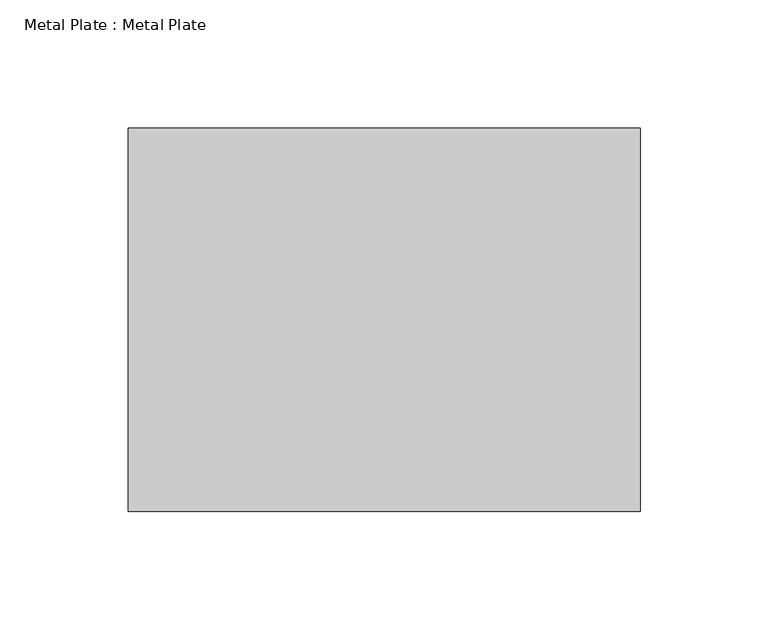
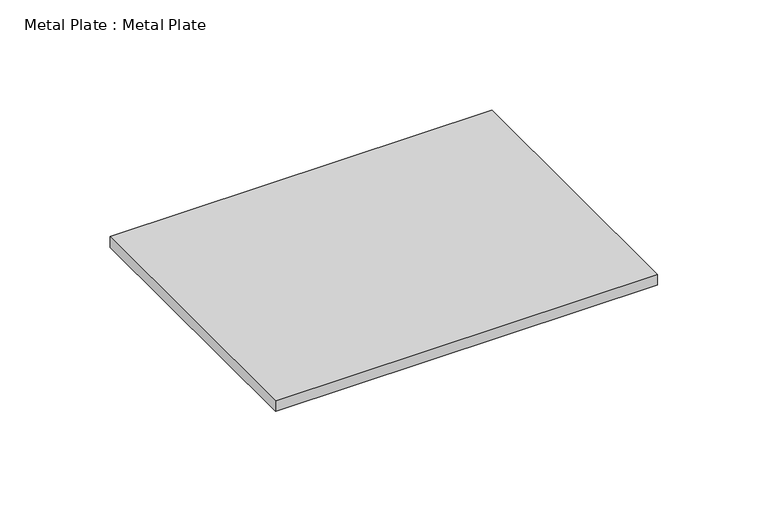
"""IFC4 building model written with IfcOpenShell, lengths in millimetres: proxy geometry, Metal Plate : Metal Plate."""

import ifcopenshell
import ifcopenshell.guid

model = None  # the IFC model being written
_history = None  # IfcOwnerHistory: only IFC2X3 demands one
_inside = {}  # id of a spatial element -> (the spatial element, [elements in it])
_under = {}  # id of a project, library or spatial element -> (it, [spatial elements below it])
_declared = {}  # id of a project -> (the project, [libraries it declares])
_typed = {}  # id of a type object -> (the type object, [elements of that type])
_made_of = {}  # id of a material, layer set ... -> (it, [elements and type objects made of it])


def new_model(schema):
    """Start an empty IFC model of exactly this schema.

    Asked for "IFC4X3", IfcOpenShell would pick the latest addendum, in which some entities
    have other attributes; the version numbers below select the first issue.
    IFC2X3 requires an IfcOwnerHistory on every rooted entity: one is made here for all.
    """
    global model, _history
    if schema == "IFC4X3":
        model = ifcopenshell.file(schema_version=(4, 3, 0, 0))
    else:
        model = ifcopenshell.file(schema=schema)
    _inside.clear()
    _under.clear()
    _declared.clear()
    _typed.clear()
    _made_of.clear()
    _history = None
    if model.schema == "IFC2X3":
        org = make("IfcOrganization", Name="unknown")
        user = make(
            "IfcPersonAndOrganization",
            ThePerson=make("IfcPerson", FamilyName="unknown"),
            TheOrganization=org,
        )
        app = make(
            "IfcApplication",
            ApplicationDeveloper=org,
            Version="unknown",
            ApplicationFullName="unknown",
            ApplicationIdentifier="unknown",
        )
        _history = make(
            "IfcOwnerHistory",
            OwningUser=user,
            OwningApplication=app,
            ChangeAction="ADDED",
            CreationDate=0,
        )
    return model


def make(cls, **values):
    """One entity of the class cls with the attributes given. An attribute that is None is left unset."""
    return model.create_entity(
        cls, **{name: value for name, value in values.items() if value is not None}
    )


def rooted(cls, **values):
    """An entity with a GlobalId (a new one), such as an element, a storey or a relation."""
    return make(cls, GlobalId=ifcopenshell.guid.new(), OwnerHistory=_history, **values)


def si_unit(unit_type, name, prefix=None):
    """IfcSIUnit, for example si_unit("LENGTHUNIT", "METRE", prefix="MILLI")."""
    return make("IfcSIUnit", UnitType=unit_type, Prefix=prefix, Name=name)


def assignment(units):
    """IfcUnitAssignment: the units of a project."""
    return None if units is None else make("IfcUnitAssignment", Units=units)


def point(xyz):
    """IfcCartesianPoint."""
    return None if xyz is None else make("IfcCartesianPoint", Coordinates=xyz)


def direction(xyz):
    """IfcDirection."""
    return None if xyz is None else make("IfcDirection", DirectionRatios=xyz)


def frame(location, z_axis=None, x_axis=None):
    """IfcAxis2Placement3D, a coordinate frame: its origin and axes. An axis left out is left unset."""
    return make(
        "IfcAxis2Placement3D",
        Location=point(location),
        Axis=direction(z_axis),
        RefDirection=direction(x_axis),
    )


def origin():
    """The frame at (0, 0, 0) with its axes left unset."""
    return frame((0.0, 0.0, 0.0))


def origin_with_axes():
    """The frame at (0, 0, 0) with the z axis (0, 0, 1) and the x axis (1, 0, 0) written out."""
    return frame((0.0, 0.0, 0.0), z_axis=(0.0, 0.0, 1.0), x_axis=(1.0, 0.0, 0.0))


def place(relative_to, where):
    """IfcLocalPlacement: puts the frame where relative to a parent placement (None: the world)."""
    return make(
        "IfcLocalPlacement", PlacementRelTo=relative_to, RelativePlacement=where
    )


def context(
    kind, dimensions, precision=None, world=None, true_north=None, identifier=None
):
    """IfcGeometricRepresentationContext, for example the 3D "Model" context."""
    return make(
        "IfcGeometricRepresentationContext",
        ContextIdentifier=identifier,
        ContextType=kind,
        CoordinateSpaceDimension=dimensions,
        Precision=precision,
        WorldCoordinateSystem=world,
        TrueNorth=true_north,
    )


def project(units=None, contexts=None):
    """IfcProject with its units and contexts."""
    return rooted(
        "IfcProject",
        Name="project",
        RepresentationContexts=contexts,
        UnitsInContext=assignment(units),
    )


def spatial(cls, under=None, at=None, **own):
    """A site, building, storey or space (cls), placed at a placement, below another one or the project."""
    s = rooted(cls, ObjectPlacement=at, **own)
    if under is not None:
        _under.setdefault(under.id(), (under, []))[1].append(s)
    return s


def polyline(points):
    """IfcPolyline through the points."""
    return make("IfcPolyline", Points=[point(p) for p in points])


def outline(outer, holes=None, kind="AREA"):
    """IfcArbitraryClosedProfileDef: a profile drawn as a closed curve; with holes, ...WithVoids."""
    if holes is None:
        return make("IfcArbitraryClosedProfileDef", ProfileType=kind, OuterCurve=outer)
    return make(
        "IfcArbitraryProfileDefWithVoids",
        ProfileType=kind,
        OuterCurve=outer,
        InnerCurves=holes,
    )


def extrude(swept, where, along, depth):
    """IfcExtrudedAreaSolid: the profile swept, set in the frame where, extruded along a direction by depth."""
    return make(
        "IfcExtrudedAreaSolid",
        SweptArea=swept,
        Position=where,
        ExtrudedDirection=direction(along),
        Depth=depth,
    )


def shape(context_of_items, identifier, shape_type, items):
    """IfcShapeRepresentation: the items that make up one representation, for example the "Body"."""
    return make(
        "IfcShapeRepresentation",
        ContextOfItems=context_of_items,
        RepresentationIdentifier=identifier,
        RepresentationType=shape_type,
        Items=items,
    )


def source(mapping_origin, context_of_items, identifier, shape_type, items):
    """IfcRepresentationMap: a shape defined once, which mapped items show again and again."""
    return make(
        "IfcRepresentationMap",
        MappingOrigin=mapping_origin,
        MappedRepresentation=shape(context_of_items, identifier, shape_type, items),
    )


def transform(
    local_origin,
    x_axis=None,
    y_axis=None,
    z_axis=None,
    scale=None,
    scale2=None,
    scale3=None,
    uniform=True,
):
    """IfcCartesianTransformationOperator3D, or its non-uniform kind. x_axis, y_axis, z_axis: its Axis1, 2, 3."""
    if uniform:
        return make(
            "IfcCartesianTransformationOperator3D",
            Axis1=direction(x_axis),
            Axis2=direction(y_axis),
            LocalOrigin=point(local_origin),
            Scale=scale,
            Axis3=direction(z_axis),
        )
    return make(
        "IfcCartesianTransformationOperator3DnonUniform",
        Axis1=direction(x_axis),
        Axis2=direction(y_axis),
        LocalOrigin=point(local_origin),
        Scale=scale,
        Axis3=direction(z_axis),
        Scale2=scale2,
        Scale3=scale3,
    )


def mapped(mapping_source, mapping_target):
    """IfcMappedItem: shows the shape of a source again, moved by a transform."""
    return make(
        "IfcMappedItem", MappingSource=mapping_source, MappingTarget=mapping_target
    )


def made_of(thing, what):
    """Note that an element or type object is made of a material, layer set ...; save() writes the relation."""
    if what is not None:
        _made_of.setdefault(what.id(), (what, []))[1].append(thing)
    return thing


def element(
    cls,
    number,
    at=None,
    inside=None,
    cuts=None,
    type_object=None,
    material=None,
    context=None,
    identifier="Body",
    shape_type=None,
    held_by="IfcProductDefinitionShape",
    body=None,
    shapes=None,
    **own,
):
    """One element of the class cls, such as IfcWall. Its Tag is "e" and its number.

    at: its placement. inside: the storey or other place that contains it. cuts: it is an
    opening in that element (IfcRelVoidsElement). A single representation is given by context,
    identifier, shape_type and body (its items); several are given by shapes. held_by: the class
    of the entity that holds the representations. save() writes the other relations.
    """
    e = rooted(cls, Tag="e%d" % number, ObjectPlacement=at, **own)
    if body is not None:
        shapes = [shape(context, identifier, shape_type, body)]
    if shapes is not None:
        e.Representation = make(held_by, Representations=shapes)
    if inside is not None:
        _inside.setdefault(inside.id(), (inside, []))[1].append(e)
    if cuts is not None:
        rooted(
            "IfcRelVoidsElement", RelatingBuildingElement=cuts, RelatedOpeningElement=e
        )
    if type_object is not None:
        _typed.setdefault(type_object.id(), (type_object, []))[1].append(e)
    return made_of(e, material)


def aggregate(whole, parts):
    """IfcRelAggregates: a whole, such as a stair, and the parts it consists of."""
    return rooted("IfcRelAggregates", RelatingObject=whole, RelatedObjects=parts)


def save(model, path):
    """Write the relations noted so far, then the file.

    IfcRelAggregates (storeys below a building ...), IfcRelContainedInSpatialStructure (elements
    in a storey), IfcRelDefinesByType, IfcRelAssociatesMaterial and IfcRelDeclares: one each for
    every whole, place, type object, material and project.
    """
    for whole, parts in _under.values():
        aggregate(whole, parts)
    for where, things in _inside.values():
        rooted(
            "IfcRelContainedInSpatialStructure",
            RelatedElements=things,
            RelatingStructure=where,
        )
    for kind, things in _typed.values():
        rooted("IfcRelDefinesByType", RelatedObjects=things, RelatingType=kind)
    for what, things in _made_of.values():
        rooted("IfcRelAssociatesMaterial", RelatedObjects=things, RelatingMaterial=what)
    for by, libraries in _declared.values():
        rooted("IfcRelDeclares", RelatingContext=by, RelatedDefinitions=libraries)
    model.write(path)


def metal_plate_metal_plate_9a04f67c(model_context):
    return source(origin(), model_context, "Body", "SweptSolid", [
        extrude(outline(polyline([(-100.0, -150.0), (-100.0, 0.0), (100.0, 0.0), (100.0, -150.0), (-100.0, -150.0)])), origin_with_axes(), (0.0, 0.0, 1.0), 6.0),
    ])


if __name__ == "__main__":
    model = new_model("IFC4")
    model_context = context("Model", 3, world=origin())
    ifc_project = project(units=[si_unit("LENGTHUNIT", "METRE", prefix="MILLI")], contexts=[model_context])
    site = spatial("IfcSite", under=ifc_project)
    building = spatial("IfcBuilding", under=site)
    placement = place(None, origin())
    metal_plate_metal_plate_shape = metal_plate_metal_plate_9a04f67c(model_context)
    element("IfcBuildingElementProxy", 1, Name="Metal Plate : Metal Plate", ObjectType="Metal Plate : Metal Plate", at=placement, inside=building, context=model_context, shape_type="MappedRepresentation", body=[
        mapped(metal_plate_metal_plate_shape, transform((0.0, 0.0, 0.0), x_axis=(1.0, 0.0, 0.0), y_axis=(0.0, 1.0, 0.0), z_axis=(0.0, 0.0, 1.0))),
    ])
    save(model, "model.ifc")
